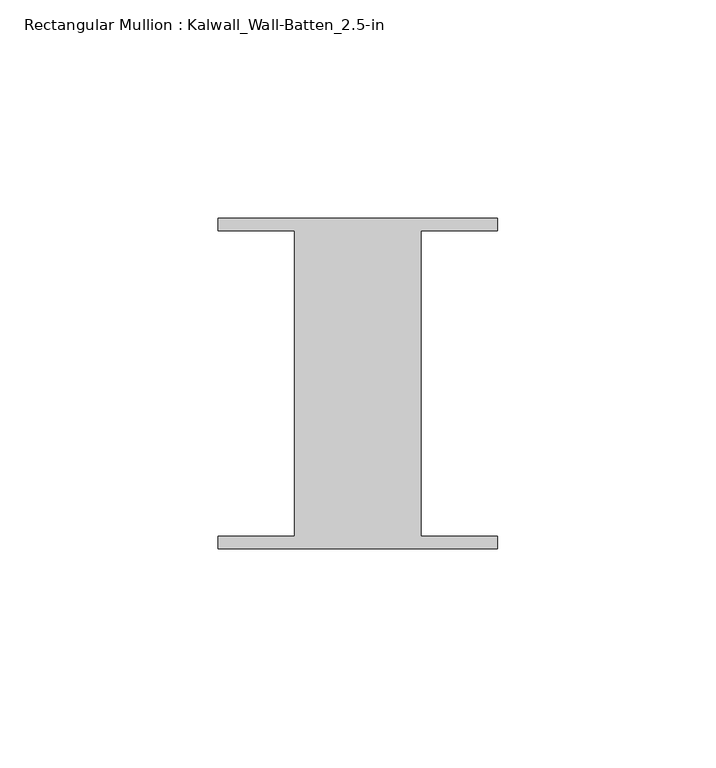
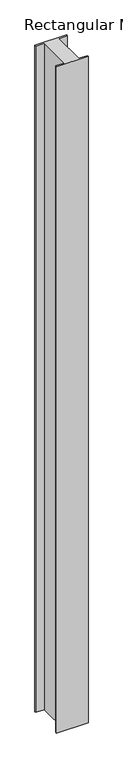
"""IFC4 building model written with IfcOpenShell, lengths in millimetres: member geometry, Rectangular Mullion : Kalwall_Wall-Batten_2.5-in."""

from ifc_helpers import new_model, si_unit, frame, origin, place, context, project, spatial, polyline, outline, extrude, source, transform, mapped, element, save


def rectangular_mullion_kalwall_wall_batten_2_5_in_d4257e21(model_context):
    return source(origin(), model_context, "Body", "SweptSolid", [
        extrude(outline(polyline([(-32.0, 36.524), (32.0, 36.524), (32.0, 33.73), (14.5, 33.73), (14.5, -36.27), (32.0, -36.27), (32.0, -39.064), (-32.0, -39.064), (-32.0, -36.27), (-14.5, -36.27), (-14.5, 33.73), (-32.0, 33.73), (-32.0, 36.524)])), frame((0.0, 0.0, -1426.6129997), z_axis=(0.0, 0.0, 1.0), x_axis=(1.0, 0.0, 0.0)), (0.0, 0.0, 1.0), 1426.6129997),
    ])


if __name__ == "__main__":
    model = new_model("IFC4")
    model_context = context("Model", 3, world=origin())
    ifc_project = project(units=[si_unit("LENGTHUNIT", "METRE", prefix="MILLI")], contexts=[model_context])
    site = spatial("IfcSite", under=ifc_project)
    building = spatial("IfcBuilding", under=site)
    placement = place(None, origin())
    rectangular_mullion_kalwall_wall_batten_2_5_in_shape = rectangular_mullion_kalwall_wall_batten_2_5_in_d4257e21(model_context)
    element("IfcMember", 1, ObjectType="Rectangular Mullion : Kalwall_Wall-Batten_2.5-in", at=placement, inside=building, context=model_context, shape_type="MappedRepresentation", body=[
        mapped(rectangular_mullion_kalwall_wall_batten_2_5_in_shape, transform((0.0, 0.0, 0.0), x_axis=(1.0, 0.0, 0.0), y_axis=(0.0, 1.0, 0.0), z_axis=(0.0, 0.0, 1.0))),
    ])
    save(model, "model.ifc")
